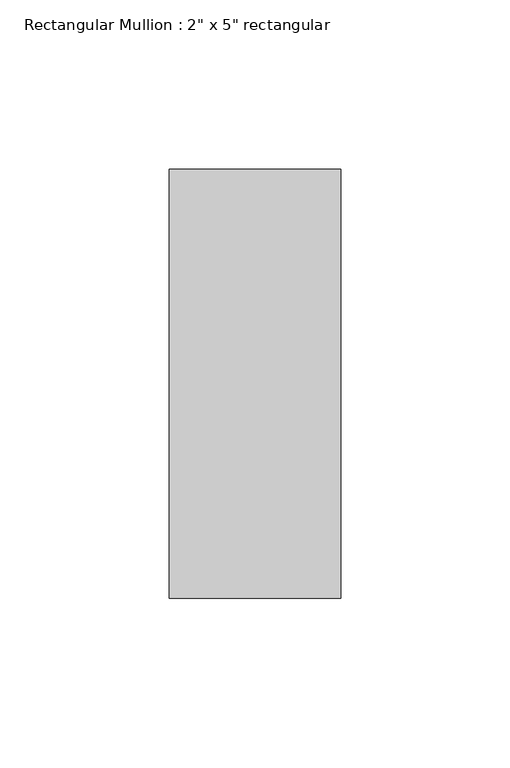
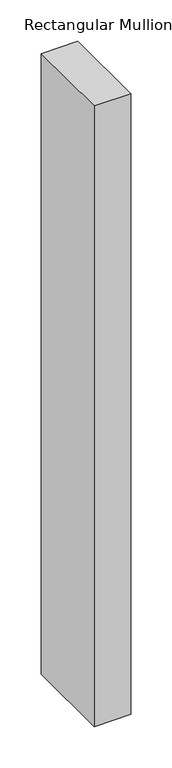
"""IFC4 building model written with IfcOpenShell, lengths in millimetres: member geometry."""

from ifc_helpers import new_model, si_unit, frame, origin, place, context, project, spatial, polyline, outline, extrude, source, transform, mapped, element, save


def member_f63cc019(model_context):
    return source(origin(), model_context, "Body", "SweptSolid", [
        extrude(outline(polyline([(25.4, 63.5), (25.4, -63.5), (-25.4, -63.5), (-25.4, 63.5), (25.4, 63.5)])), frame((0.0, 0.0, -914.4), z_axis=(0.0, 0.0, 1.0), x_axis=(1.0, 0.0, 0.0)), (0.0, 0.0, 1.0), 914.4),
    ])


if __name__ == "__main__":
    model = new_model("IFC4")
    model_context = context("Model", 3, world=origin())
    ifc_project = project(units=[si_unit("LENGTHUNIT", "METRE", prefix="MILLI")], contexts=[model_context])
    site = spatial("IfcSite", under=ifc_project)
    building = spatial("IfcBuilding", under=site)
    placement = place(None, origin())
    member_shape = member_f63cc019(model_context)
    element("IfcMember", 1, ObjectType="Rectangular Mullion : 2\" x 5\" rectangular", at=placement, inside=building, context=model_context, shape_type="MappedRepresentation", body=[
        mapped(member_shape, transform((0.0, 0.0, 0.0), x_axis=(1.0, 0.0, 0.0), y_axis=(0.0, 1.0, 0.0), z_axis=(0.0, 0.0, 1.0))),
    ])
    save(model, "model.ifc")
